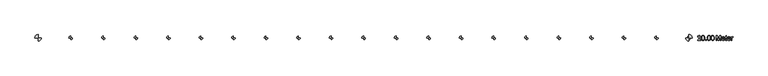
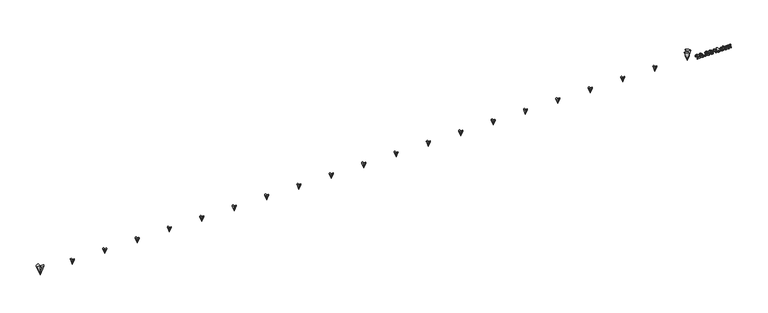
"""IFC4 building model written with IfcOpenShell, lengths in millimetres: proxy geometry."""

from ifc_helpers import new_model, si_unit, frame, origin, origin_with_axes, place, context, project, spatial, polyline, circle_curve, outline, extrude, source, transform, mapped, element, save
from ifc_brep_helpers import plane_surface, revolved_surface, advanced_brep


def generic_models_e5124689(model_context):
    return source(origin(), model_context, "Body", "SolidModel", [
        advanced_brep(
        [(19946.9713765, 0.0, 159.0858704), (20000.0, 53.0286235, 159.0858704), (20000.0, 0.0, 0.0), (20053.0286235, 0.0, 159.0858704), (20000.0, -53.0286235, 159.0858704), (20000.0, 0.0, 159.0858704)],
        [
            (0, 1, circle_curve(frame((20000.0, 0.0, 159.0858704), z_axis=(0.0, 0.0, -1.0), x_axis=(1.0, 0.0, 0.0)), 53.0286235)),
            (1, 2),
            (2, 0),
            (2, 3),
            (3, 4, circle_curve(frame((20000.0, 0.0, 159.0858704), z_axis=(0.0, 0.0, -1.0), x_axis=(1.0, 0.0, 0.0)), 53.0286235)),
            (4, 2),
            (0, 5),
            (5, 1),
            (3, 5),
            (5, 4),
            (5, 2),
            (5, 2),
        ],
        [
            revolved_surface(polyline([(20000.0, 0.0, 0.0), (20053.0286235, 0.0, 159.0858704)]), (20000.0, 0.0, 300.0), (0.0, 0.0, 1.0)),
            plane_surface(frame((20000.0, 0.0, 159.0858704), z_axis=(0.0, 0.0, 1.0), x_axis=(1.0, 0.0, 0.0))),
            plane_surface(frame((20000.0, 120.0, 345.9090809), z_axis=(1.0, 0.0, 0.0), x_axis=(0.0, 0.0, -1.0))),
            plane_surface(frame((20000.0, 0.0, 345.9090809), z_axis=(0.0, 1.0, 0.0), x_axis=(0.0, 0.0, -1.0))),
            plane_surface(frame((20000.0, -120.0, 345.9090809), z_axis=(-1.0, 0.0, 0.0), x_axis=(0.0, 0.0, -1.0))),
            plane_surface(frame((20000.0, 0.0, 345.9090809), z_axis=(0.0, -1.0, 0.0), x_axis=(0.0, 0.0, -1.0))),
        ],
        [
            (0, [[1, 2, 3]]),
            (0, [[4, 5, 6]]),
            (1, [[-1, 7, 8]]),
            (1, [[9, 10, -5]]),
            (2, [[11, -2, -8]]),
            (3, [[-11, -9, -4]]),
            (4, [[12, -6, -10]]),
            (5, [[-12, -7, -3]]),
        ],
    ),
        advanced_brep(
        [(18946.9713765, 0.0, 159.0858704), (19000.0, 53.0286235, 159.0858704), (19000.0, 0.0, 0.0), (19053.0286235, 0.0, 159.0858704), (19000.0, -53.0286235, 159.0858704), (19000.0, 0.0, 159.0858704)],
        [
            (0, 1, circle_curve(frame((19000.0, 0.0, 159.0858704), z_axis=(0.0, 0.0, -1.0), x_axis=(1.0, 0.0, 0.0)), 53.0286235)),
            (1, 2),
            (2, 0),
            (2, 3),
            (3, 4, circle_curve(frame((19000.0, 0.0, 159.0858704), z_axis=(0.0, 0.0, -1.0), x_axis=(1.0, 0.0, 0.0)), 53.0286235)),
            (4, 2),
            (0, 5),
            (5, 1),
            (3, 5),
            (5, 4),
            (5, 2),
            (5, 2),
        ],
        [
            revolved_surface(polyline([(19000.0, 0.0, 0.0), (19053.0286235, 0.0, 159.0858704)]), (19000.0, 0.0, 300.0), (0.0, 0.0, 1.0)),
            plane_surface(frame((19000.0, 0.0, 159.0858704), z_axis=(0.0, 0.0, 1.0), x_axis=(1.0, 0.0, 0.0))),
            plane_surface(frame((19000.0, 120.0, 345.9090809), z_axis=(1.0, 0.0, 0.0), x_axis=(0.0, 0.0, -1.0))),
            plane_surface(frame((19000.0, 0.0, 345.9090809), z_axis=(0.0, 1.0, 0.0), x_axis=(0.0, 0.0, -1.0))),
            plane_surface(frame((19000.0, -120.0, 345.9090809), z_axis=(-1.0, 0.0, 0.0), x_axis=(0.0, 0.0, -1.0))),
            plane_surface(frame((19000.0, 0.0, 345.9090809), z_axis=(0.0, -1.0, 0.0), x_axis=(0.0, 0.0, -1.0))),
        ],
        [
            (0, [[1, 2, 3]]),
            (0, [[4, 5, 6]]),
            (1, [[-1, 7, 8]]),
            (1, [[9, 10, -5]]),
            (2, [[11, -2, -8]]),
            (3, [[-11, -9, -4]]),
            (4, [[12, -6, -10]]),
            (5, [[-12, -7, -3]]),
        ],
    ),
        advanced_brep(
        [(17946.9713765, 0.0, 159.0858704), (18000.0, 53.0286235, 159.0858704), (18000.0, 0.0, 0.0), (18053.0286235, 0.0, 159.0858704), (18000.0, -53.0286235, 159.0858704), (18000.0, 0.0, 159.0858704)],
        [
            (0, 1, circle_curve(frame((18000.0, 0.0, 159.0858704), z_axis=(0.0, 0.0, -1.0), x_axis=(1.0, 0.0, 0.0)), 53.0286235)),
            (1, 2),
            (2, 0),
            (2, 3),
            (3, 4, circle_curve(frame((18000.0, 0.0, 159.0858704), z_axis=(0.0, 0.0, -1.0), x_axis=(1.0, 0.0, 0.0)), 53.0286235)),
            (4, 2),
            (0, 5),
            (5, 1),
            (3, 5),
            (5, 4),
            (5, 2),
            (5, 2),
        ],
        [
            revolved_surface(polyline([(18000.0, 0.0, 0.0), (18053.0286235, 0.0, 159.0858704)]), (18000.0, 0.0, 300.0), (0.0, 0.0, 1.0)),
            plane_surface(frame((18000.0, 0.0, 159.0858704), z_axis=(0.0, 0.0, 1.0), x_axis=(1.0, 0.0, 0.0))),
            plane_surface(frame((18000.0, 120.0, 345.9090809), z_axis=(1.0, 0.0, 0.0), x_axis=(0.0, 0.0, -1.0))),
            plane_surface(frame((18000.0, 0.0, 345.9090809), z_axis=(0.0, 1.0, 0.0), x_axis=(0.0, 0.0, -1.0))),
            plane_surface(frame((18000.0, -120.0, 345.9090809), z_axis=(-1.0, 0.0, 0.0), x_axis=(0.0, 0.0, -1.0))),
            plane_surface(frame((18000.0, 0.0, 345.9090809), z_axis=(0.0, -1.0, 0.0), x_axis=(0.0, 0.0, -1.0))),
        ],
        [
            (0, [[1, 2, 3]]),
            (0, [[4, 5, 6]]),
            (1, [[-1, 7, 8]]),
            (1, [[9, 10, -5]]),
            (2, [[11, -2, -8]]),
            (3, [[-11, -9, -4]]),
            (4, [[12, -6, -10]]),
            (5, [[-12, -7, -3]]),
        ],
    ),
        advanced_brep(
        [(16946.9713765, 0.0, 159.0858704), (17000.0, 53.0286235, 159.0858704), (17000.0, 0.0, 0.0), (17053.0286235, 0.0, 159.0858704), (17000.0, -53.0286235, 159.0858704), (17000.0, 0.0, 159.0858704)],
        [
            (0, 1, circle_curve(frame((17000.0, 0.0, 159.0858704), z_axis=(0.0, 0.0, -1.0), x_axis=(1.0, 0.0, 0.0)), 53.0286235)),
            (1, 2),
            (2, 0),
            (2, 3),
            (3, 4, circle_curve(frame((17000.0, 0.0, 159.0858704), z_axis=(0.0, 0.0, -1.0), x_axis=(1.0, 0.0, 0.0)), 53.0286235)),
            (4, 2),
            (0, 5),
            (5, 1),
            (3, 5),
            (5, 4),
            (5, 2),
            (5, 2),
        ],
        [
            revolved_surface(polyline([(17000.0, 0.0, 0.0), (17053.0286235, 0.0, 159.0858704)]), (17000.0, 0.0, 300.0), (0.0, 0.0, 1.0)),
            plane_surface(frame((17000.0, 0.0, 159.0858704), z_axis=(0.0, 0.0, 1.0), x_axis=(1.0, 0.0, 0.0))),
            plane_surface(frame((17000.0, 120.0, 345.9090809), z_axis=(1.0, 0.0, 0.0), x_axis=(0.0, 0.0, -1.0))),
            plane_surface(frame((17000.0, 0.0, 345.9090809), z_axis=(0.0, 1.0, 0.0), x_axis=(0.0, 0.0, -1.0))),
            plane_surface(frame((17000.0, -120.0, 345.9090809), z_axis=(-1.0, 0.0, 0.0), x_axis=(0.0, 0.0, -1.0))),
            plane_surface(frame((17000.0, 0.0, 345.9090809), z_axis=(0.0, -1.0, 0.0), x_axis=(0.0, 0.0, -1.0))),
        ],
        [
            (0, [[1, 2, 3]]),
            (0, [[4, 5, 6]]),
            (1, [[-1, 7, 8]]),
            (1, [[9, 10, -5]]),
            (2, [[11, -2, -8]]),
            (3, [[-11, -9, -4]]),
            (4, [[12, -6, -10]]),
            (5, [[-12, -7, -3]]),
        ],
    ),
        advanced_brep(
        [(15946.9713765, 0.0, 159.0858704), (16000.0, 53.0286235, 159.0858704), (16000.0, 0.0, 0.0), (16053.0286235, 0.0, 159.0858704), (16000.0, -53.0286235, 159.0858704), (16000.0, 0.0, 159.0858704)],
        [
            (0, 1, circle_curve(frame((16000.0, 0.0, 159.0858704), z_axis=(0.0, 0.0, -1.0), x_axis=(1.0, 0.0, 0.0)), 53.0286235)),
            (1, 2),
            (2, 0),
            (2, 3),
            (3, 4, circle_curve(frame((16000.0, 0.0, 159.0858704), z_axis=(0.0, 0.0, -1.0), x_axis=(1.0, 0.0, 0.0)), 53.0286235)),
            (4, 2),
            (0, 5),
            (5, 1),
            (3, 5),
            (5, 4),
            (5, 2),
            (5, 2),
        ],
        [
            revolved_surface(polyline([(16000.0, 0.0, 0.0), (16053.0286235, 0.0, 159.0858704)]), (16000.0, 0.0, 300.0), (0.0, 0.0, 1.0)),
            plane_surface(frame((16000.0, 0.0, 159.0858704), z_axis=(0.0, 0.0, 1.0), x_axis=(1.0, 0.0, 0.0))),
            plane_surface(frame((16000.0, 120.0, 345.9090809), z_axis=(1.0, 0.0, 0.0), x_axis=(0.0, 0.0, -1.0))),
            plane_surface(frame((16000.0, 0.0, 345.9090809), z_axis=(0.0, 1.0, 0.0), x_axis=(0.0, 0.0, -1.0))),
            plane_surface(frame((16000.0, -120.0, 345.9090809), z_axis=(-1.0, 0.0, 0.0), x_axis=(0.0, 0.0, -1.0))),
            plane_surface(frame((16000.0, 0.0, 345.9090809), z_axis=(0.0, -1.0, 0.0), x_axis=(0.0, 0.0, -1.0))),
        ],
        [
            (0, [[1, 2, 3]]),
            (0, [[4, 5, 6]]),
            (1, [[-1, 7, 8]]),
            (1, [[9, 10, -5]]),
            (2, [[11, -2, -8]]),
            (3, [[-11, -9, -4]]),
            (4, [[12, -6, -10]]),
            (5, [[-12, -7, -3]]),
        ],
    ),
        advanced_brep(
        [(14946.9713765, 0.0, 159.0858704), (15000.0, 53.0286235, 159.0858704), (15000.0, 0.0, 0.0), (15053.0286235, 0.0, 159.0858704), (15000.0, -53.0286235, 159.0858704), (15000.0, 0.0, 159.0858704)],
        [
            (0, 1, circle_curve(frame((15000.0, 0.0, 159.0858704), z_axis=(0.0, 0.0, -1.0), x_axis=(1.0, 0.0, 0.0)), 53.0286235)),
            (1, 2),
            (2, 0),
            (2, 3),
            (3, 4, circle_curve(frame((15000.0, 0.0, 159.0858704), z_axis=(0.0, 0.0, -1.0), x_axis=(1.0, 0.0, 0.0)), 53.0286235)),
            (4, 2),
            (0, 5),
            (5, 1),
            (3, 5),
            (5, 4),
            (5, 2),
            (5, 2),
        ],
        [
            revolved_surface(polyline([(15000.0, 0.0, 0.0), (15053.0286235, 0.0, 159.0858704)]), (15000.0, 0.0, 300.0), (0.0, 0.0, 1.0)),
            plane_surface(frame((15000.0, 0.0, 159.0858704), z_axis=(0.0, 0.0, 1.0), x_axis=(1.0, 0.0, 0.0))),
            plane_surface(frame((15000.0, 120.0, 345.9090809), z_axis=(1.0, 0.0, 0.0), x_axis=(0.0, 0.0, -1.0))),
            plane_surface(frame((15000.0, 0.0, 345.9090809), z_axis=(0.0, 1.0, 0.0), x_axis=(0.0, 0.0, -1.0))),
            plane_surface(frame((15000.0, -120.0, 345.9090809), z_axis=(-1.0, 0.0, 0.0), x_axis=(0.0, 0.0, -1.0))),
            plane_surface(frame((15000.0, 0.0, 345.9090809), z_axis=(0.0, -1.0, 0.0), x_axis=(0.0, 0.0, -1.0))),
        ],
        [
            (0, [[1, 2, 3]]),
            (0, [[4, 5, 6]]),
            (1, [[-1, 7, 8]]),
            (1, [[9, 10, -5]]),
            (2, [[11, -2, -8]]),
            (3, [[-11, -9, -4]]),
            (4, [[12, -6, -10]]),
            (5, [[-12, -7, -3]]),
        ],
    ),
        advanced_brep(
        [(13946.9713765, 0.0, 159.0858704), (14000.0, 53.0286235, 159.0858704), (14000.0, 0.0, 0.0), (14053.0286235, 0.0, 159.0858704), (14000.0, -53.0286235, 159.0858704), (14000.0, 0.0, 159.0858704)],
        [
            (0, 1, circle_curve(frame((14000.0, 0.0, 159.0858704), z_axis=(0.0, 0.0, -1.0), x_axis=(1.0, 0.0, 0.0)), 53.0286235)),
            (1, 2),
            (2, 0),
            (2, 3),
            (3, 4, circle_curve(frame((14000.0, 0.0, 159.0858704), z_axis=(0.0, 0.0, -1.0), x_axis=(1.0, 0.0, 0.0)), 53.0286235)),
            (4, 2),
            (0, 5),
            (5, 1),
            (3, 5),
            (5, 4),
            (5, 2),
            (5, 2),
        ],
        [
            revolved_surface(polyline([(14000.0, 0.0, 0.0), (14053.0286235, 0.0, 159.0858704)]), (14000.0, 0.0, 300.0), (0.0, 0.0, 1.0)),
            plane_surface(frame((14000.0, 0.0, 159.0858704), z_axis=(0.0, 0.0, 1.0), x_axis=(1.0, 0.0, 0.0))),
            plane_surface(frame((14000.0, 120.0, 345.9090809), z_axis=(1.0, 0.0, 0.0), x_axis=(0.0, 0.0, -1.0))),
            plane_surface(frame((14000.0, 0.0, 345.9090809), z_axis=(0.0, 1.0, 0.0), x_axis=(0.0, 0.0, -1.0))),
            plane_surface(frame((14000.0, -120.0, 345.9090809), z_axis=(-1.0, 0.0, 0.0), x_axis=(0.0, 0.0, -1.0))),
            plane_surface(frame((14000.0, 0.0, 345.9090809), z_axis=(0.0, -1.0, 0.0), x_axis=(0.0, 0.0, -1.0))),
        ],
        [
            (0, [[1, 2, 3]]),
            (0, [[4, 5, 6]]),
            (1, [[-1, 7, 8]]),
            (1, [[9, 10, -5]]),
            (2, [[11, -2, -8]]),
            (3, [[-11, -9, -4]]),
            (4, [[12, -6, -10]]),
            (5, [[-12, -7, -3]]),
        ],
    ),
        advanced_brep(
        [(12946.9713765, 0.0, 159.0858704), (13000.0, 53.0286235, 159.0858704), (13000.0, 0.0, 0.0), (13053.0286235, 0.0, 159.0858704), (13000.0, -53.0286235, 159.0858704), (13000.0, 0.0, 159.0858704)],
        [
            (0, 1, circle_curve(frame((13000.0, 0.0, 159.0858704), z_axis=(0.0, 0.0, -1.0), x_axis=(1.0, 0.0, 0.0)), 53.0286235)),
            (1, 2),
            (2, 0),
            (2, 3),
            (3, 4, circle_curve(frame((13000.0, 0.0, 159.0858704), z_axis=(0.0, 0.0, -1.0), x_axis=(1.0, 0.0, 0.0)), 53.0286235)),
            (4, 2),
            (0, 5),
            (5, 1),
            (3, 5),
            (5, 4),
            (5, 2),
            (5, 2),
        ],
        [
            revolved_surface(polyline([(13000.0, 0.0, 0.0), (13053.0286235, 0.0, 159.0858704)]), (13000.0, 0.0, 300.0), (0.0, 0.0, 1.0)),
            plane_surface(frame((13000.0, 0.0, 159.0858704), z_axis=(0.0, 0.0, 1.0), x_axis=(1.0, 0.0, 0.0))),
            plane_surface(frame((13000.0, 120.0, 345.9090809), z_axis=(1.0, 0.0, 0.0), x_axis=(0.0, 0.0, -1.0))),
            plane_surface(frame((13000.0, 0.0, 345.9090809), z_axis=(0.0, 1.0, 0.0), x_axis=(0.0, 0.0, -1.0))),
            plane_surface(frame((13000.0, -120.0, 345.9090809), z_axis=(-1.0, 0.0, 0.0), x_axis=(0.0, 0.0, -1.0))),
            plane_surface(frame((13000.0, 0.0, 345.9090809), z_axis=(0.0, -1.0, 0.0), x_axis=(0.0, 0.0, -1.0))),
        ],
        [
            (0, [[1, 2, 3]]),
            (0, [[4, 5, 6]]),
            (1, [[-1, 7, 8]]),
            (1, [[9, 10, -5]]),
            (2, [[11, -2, -8]]),
            (3, [[-11, -9, -4]]),
            (4, [[12, -6, -10]]),
            (5, [[-12, -7, -3]]),
        ],
    ),
        advanced_brep(
        [(11946.9713765, 0.0, 159.0858704), (12000.0, 53.0286235, 159.0858704), (12000.0, 0.0, 0.0), (12053.0286235, 0.0, 159.0858704), (12000.0, -53.0286235, 159.0858704), (12000.0, 0.0, 159.0858704)],
        [
            (0, 1, circle_curve(frame((12000.0, 0.0, 159.0858704), z_axis=(0.0, 0.0, -1.0), x_axis=(1.0, 0.0, 0.0)), 53.0286235)),
            (1, 2),
            (2, 0),
            (2, 3),
            (3, 4, circle_curve(frame((12000.0, 0.0, 159.0858704), z_axis=(0.0, 0.0, -1.0), x_axis=(1.0, 0.0, 0.0)), 53.0286235)),
            (4, 2),
            (0, 5),
            (5, 1),
            (3, 5),
            (5, 4),
            (5, 2),
            (5, 2),
        ],
        [
            revolved_surface(polyline([(12000.0, 0.0, 0.0), (12053.0286235, 0.0, 159.0858704)]), (12000.0, 0.0, 300.0), (0.0, 0.0, 1.0)),
            plane_surface(frame((12000.0, 0.0, 159.0858704), z_axis=(0.0, 0.0, 1.0), x_axis=(1.0, 0.0, 0.0))),
            plane_surface(frame((12000.0, 120.0, 345.9090809), z_axis=(1.0, 0.0, 0.0), x_axis=(0.0, 0.0, -1.0))),
            plane_surface(frame((12000.0, 0.0, 345.9090809), z_axis=(0.0, 1.0, 0.0), x_axis=(0.0, 0.0, -1.0))),
            plane_surface(frame((12000.0, -120.0, 345.9090809), z_axis=(-1.0, 0.0, 0.0), x_axis=(0.0, 0.0, -1.0))),
            plane_surface(frame((12000.0, 0.0, 345.9090809), z_axis=(0.0, -1.0, 0.0), x_axis=(0.0, 0.0, -1.0))),
        ],
        [
            (0, [[1, 2, 3]]),
            (0, [[4, 5, 6]]),
            (1, [[-1, 7, 8]]),
            (1, [[9, 10, -5]]),
            (2, [[11, -2, -8]]),
            (3, [[-11, -9, -4]]),
            (4, [[12, -6, -10]]),
            (5, [[-12, -7, -3]]),
        ],
    ),
        advanced_brep(
        [(10946.9713765, 0.0, 159.0858704), (11000.0, 53.0286235, 159.0858704), (11000.0, 0.0, 0.0), (11053.0286235, 0.0, 159.0858704), (11000.0, -53.0286235, 159.0858704), (11000.0, 0.0, 159.0858704)],
        [
            (0, 1, circle_curve(frame((11000.0, 0.0, 159.0858704), z_axis=(0.0, 0.0, -1.0), x_axis=(1.0, 0.0, 0.0)), 53.0286235)),
            (1, 2),
            (2, 0),
            (2, 3),
            (3, 4, circle_curve(frame((11000.0, 0.0, 159.0858704), z_axis=(0.0, 0.0, -1.0), x_axis=(1.0, 0.0, 0.0)), 53.0286235)),
            (4, 2),
            (0, 5),
            (5, 1),
            (3, 5),
            (5, 4),
            (5, 2),
            (5, 2),
        ],
        [
            revolved_surface(polyline([(11000.0, 0.0, 0.0), (11053.0286235, 0.0, 159.0858704)]), (11000.0, 0.0, 300.0), (0.0, 0.0, 1.0)),
            plane_surface(frame((11000.0, 0.0, 159.0858704), z_axis=(0.0, 0.0, 1.0), x_axis=(1.0, 0.0, 0.0))),
            plane_surface(frame((11000.0, 120.0, 345.9090809), z_axis=(1.0, 0.0, 0.0), x_axis=(0.0, 0.0, -1.0))),
            plane_surface(frame((11000.0, 0.0, 345.9090809), z_axis=(0.0, 1.0, 0.0), x_axis=(0.0, 0.0, -1.0))),
            plane_surface(frame((11000.0, -120.0, 345.9090809), z_axis=(-1.0, 0.0, 0.0), x_axis=(0.0, 0.0, -1.0))),
            plane_surface(frame((11000.0, 0.0, 345.9090809), z_axis=(0.0, -1.0, 0.0), x_axis=(0.0, 0.0, -1.0))),
        ],
        [
            (0, [[1, 2, 3]]),
            (0, [[4, 5, 6]]),
            (1, [[-1, 7, 8]]),
            (1, [[9, 10, -5]]),
            (2, [[11, -2, -8]]),
            (3, [[-11, -9, -4]]),
            (4, [[12, -6, -10]]),
            (5, [[-12, -7, -3]]),
        ],
    ),
        advanced_brep(
        [(9946.9713765, 0.0, 159.0858704), (10000.0, 53.0286235, 159.0858704), (10000.0, 0.0, 0.0), (10053.0286235, 0.0, 159.0858704), (10000.0, -53.0286235, 159.0858704), (10000.0, 0.0, 159.0858704)],
        [
            (0, 1, circle_curve(frame((10000.0, 0.0, 159.0858704), z_axis=(0.0, 0.0, -1.0), x_axis=(1.0, 0.0, 0.0)), 53.0286235)),
            (1, 2),
            (2, 0),
            (2, 3),
            (3, 4, circle_curve(frame((10000.0, 0.0, 159.0858704), z_axis=(0.0, 0.0, -1.0), x_axis=(1.0, 0.0, 0.0)), 53.0286235)),
            (4, 2),
            (0, 5),
            (5, 1),
            (3, 5),
            (5, 4),
            (5, 2),
            (5, 2),
        ],
        [
            revolved_surface(polyline([(10000.0, 0.0, 0.0), (10053.0286235, 0.0, 159.0858704)]), (10000.0, 0.0, 300.0), (0.0, 0.0, 1.0)),
            plane_surface(frame((10000.0, 0.0, 159.0858704), z_axis=(0.0, 0.0, 1.0), x_axis=(1.0, 0.0, 0.0))),
            plane_surface(frame((10000.0, 120.0, 345.9090809), z_axis=(1.0, 0.0, 0.0), x_axis=(0.0, 0.0, -1.0))),
            plane_surface(frame((10000.0, 0.0, 345.9090809), z_axis=(0.0, 1.0, 0.0), x_axis=(0.0, 0.0, -1.0))),
            plane_surface(frame((10000.0, -120.0, 345.9090809), z_axis=(-1.0, 0.0, 0.0), x_axis=(0.0, 0.0, -1.0))),
            plane_surface(frame((10000.0, 0.0, 345.9090809), z_axis=(0.0, -1.0, 0.0), x_axis=(0.0, 0.0, -1.0))),
        ],
        [
            (0, [[1, 2, 3]]),
            (0, [[4, 5, 6]]),
            (1, [[-1, 7, 8]]),
            (1, [[9, 10, -5]]),
            (2, [[11, -2, -8]]),
            (3, [[-11, -9, -4]]),
            (4, [[12, -6, -10]]),
            (5, [[-12, -7, -3]]),
        ],
    ),
        advanced_brep(
        [(8946.9713765, 0.0, 159.0858704), (9000.0, 53.0286235, 159.0858704), (9000.0, 0.0, 0.0), (9053.0286235, 0.0, 159.0858704), (9000.0, -53.0286235, 159.0858704), (9000.0, 0.0, 159.0858704)],
        [
            (0, 1, circle_curve(frame((9000.0, 0.0, 159.0858704), z_axis=(0.0, 0.0, -1.0), x_axis=(1.0, 0.0, 0.0)), 53.0286235)),
            (1, 2),
            (2, 0),
            (2, 3),
            (3, 4, circle_curve(frame((9000.0, 0.0, 159.0858704), z_axis=(0.0, 0.0, -1.0), x_axis=(1.0, 0.0, 0.0)), 53.0286235)),
            (4, 2),
            (0, 5),
            (5, 1),
            (3, 5),
            (5, 4),
            (5, 2),
            (5, 2),
        ],
        [
            revolved_surface(polyline([(9000.0, 0.0, 0.0), (9053.0286235, 0.0, 159.0858704)]), (9000.0, 0.0, 300.0), (0.0, 0.0, 1.0)),
            plane_surface(frame((9000.0, 0.0, 159.0858704), z_axis=(0.0, 0.0, 1.0), x_axis=(1.0, 0.0, 0.0))),
            plane_surface(frame((9000.0, 120.0, 345.9090809), z_axis=(1.0, 0.0, 0.0), x_axis=(0.0, 0.0, -1.0))),
            plane_surface(frame((9000.0, 0.0, 345.9090809), z_axis=(0.0, 1.0, 0.0), x_axis=(0.0, 0.0, -1.0))),
            plane_surface(frame((9000.0, -120.0, 345.9090809), z_axis=(-1.0, 0.0, 0.0), x_axis=(0.0, 0.0, -1.0))),
            plane_surface(frame((9000.0, 0.0, 345.9090809), z_axis=(0.0, -1.0, 0.0), x_axis=(0.0, 0.0, -1.0))),
        ],
        [
            (0, [[1, 2, 3]]),
            (0, [[4, 5, 6]]),
            (1, [[-1, 7, 8]]),
            (1, [[9, 10, -5]]),
            (2, [[11, -2, -8]]),
            (3, [[-11, -9, -4]]),
            (4, [[12, -6, -10]]),
            (5, [[-12, -7, -3]]),
        ],
    ),
        advanced_brep(
        [(7946.9713765, 0.0, 159.0858704), (8000.0, 53.0286235, 159.0858704), (8000.0, 0.0, 0.0), (8053.0286235, 0.0, 159.0858704), (8000.0, -53.0286235, 159.0858704), (8000.0, 0.0, 159.0858704)],
        [
            (0, 1, circle_curve(frame((8000.0, 0.0, 159.0858704), z_axis=(0.0, 0.0, -1.0), x_axis=(1.0, 0.0, 0.0)), 53.0286235)),
            (1, 2),
            (2, 0),
            (2, 3),
            (3, 4, circle_curve(frame((8000.0, 0.0, 159.0858704), z_axis=(0.0, 0.0, -1.0), x_axis=(1.0, 0.0, 0.0)), 53.0286235)),
            (4, 2),
            (0, 5),
            (5, 1),
            (3, 5),
            (5, 4),
            (5, 2),
            (5, 2),
        ],
        [
            revolved_surface(polyline([(8000.0, 0.0, 0.0), (8053.0286235, 0.0, 159.0858704)]), (8000.0, 0.0, 300.0), (0.0, 0.0, 1.0)),
            plane_surface(frame((8000.0, 0.0, 159.0858704), z_axis=(0.0, 0.0, 1.0), x_axis=(1.0, 0.0, 0.0))),
            plane_surface(frame((8000.0, 120.0, 345.9090809), z_axis=(1.0, 0.0, 0.0), x_axis=(0.0, 0.0, -1.0))),
            plane_surface(frame((8000.0, 0.0, 345.9090809), z_axis=(0.0, 1.0, 0.0), x_axis=(0.0, 0.0, -1.0))),
            plane_surface(frame((8000.0, -120.0, 345.9090809), z_axis=(-1.0, 0.0, 0.0), x_axis=(0.0, 0.0, -1.0))),
            plane_surface(frame((8000.0, 0.0, 345.9090809), z_axis=(0.0, -1.0, 0.0), x_axis=(0.0, 0.0, -1.0))),
        ],
        [
            (0, [[1, 2, 3]]),
            (0, [[4, 5, 6]]),
            (1, [[-1, 7, 8]]),
            (1, [[9, 10, -5]]),
            (2, [[11, -2, -8]]),
            (3, [[-11, -9, -4]]),
            (4, [[12, -6, -10]]),
            (5, [[-12, -7, -3]]),
        ],
    ),
        advanced_brep(
        [(6946.9713765, 0.0, 159.0858704), (7000.0, 53.0286235, 159.0858704), (7000.0, 0.0, 0.0), (7053.0286235, 0.0, 159.0858704), (7000.0, -53.0286235, 159.0858704), (7000.0, 0.0, 159.0858704)],
        [
            (0, 1, circle_curve(frame((7000.0, 0.0, 159.0858704), z_axis=(0.0, 0.0, -1.0), x_axis=(1.0, 0.0, 0.0)), 53.0286235)),
            (1, 2),
            (2, 0),
            (2, 3),
            (3, 4, circle_curve(frame((7000.0, 0.0, 159.0858704), z_axis=(0.0, 0.0, -1.0), x_axis=(1.0, 0.0, 0.0)), 53.0286235)),
            (4, 2),
            (0, 5),
            (5, 1),
            (3, 5),
            (5, 4),
            (5, 2),
            (5, 2),
        ],
        [
            revolved_surface(polyline([(7000.0, 0.0, 0.0), (7053.0286235, 0.0, 159.0858704)]), (7000.0, 0.0, 300.0), (0.0, 0.0, 1.0)),
            plane_surface(frame((7000.0, 0.0, 159.0858704), z_axis=(0.0, 0.0, 1.0), x_axis=(1.0, 0.0, 0.0))),
            plane_surface(frame((7000.0, 120.0, 345.9090809), z_axis=(1.0, 0.0, 0.0), x_axis=(0.0, 0.0, -1.0))),
            plane_surface(frame((7000.0, 0.0, 345.9090809), z_axis=(0.0, 1.0, 0.0), x_axis=(0.0, 0.0, -1.0))),
            plane_surface(frame((7000.0, -120.0, 345.9090809), z_axis=(-1.0, 0.0, 0.0), x_axis=(0.0, 0.0, -1.0))),
            plane_surface(frame((7000.0, 0.0, 345.9090809), z_axis=(0.0, -1.0, 0.0), x_axis=(0.0, 0.0, -1.0))),
        ],
        [
            (0, [[1, 2, 3]]),
            (0, [[4, 5, 6]]),
            (1, [[-1, 7, 8]]),
            (1, [[9, 10, -5]]),
            (2, [[11, -2, -8]]),
            (3, [[-11, -9, -4]]),
            (4, [[12, -6, -10]]),
            (5, [[-12, -7, -3]]),
        ],
    ),
        advanced_brep(
        [(5946.9713765, 0.0, 159.0858704), (6000.0, 53.0286235, 159.0858704), (6000.0, 0.0, 0.0), (6053.0286235, 0.0, 159.0858704), (6000.0, -53.0286235, 159.0858704), (6000.0, 0.0, 159.0858704)],
        [
            (0, 1, circle_curve(frame((6000.0, 0.0, 159.0858704), z_axis=(0.0, 0.0, -1.0), x_axis=(1.0, 0.0, 0.0)), 53.0286235)),
            (1, 2),
            (2, 0),
            (2, 3),
            (3, 4, circle_curve(frame((6000.0, 0.0, 159.0858704), z_axis=(0.0, 0.0, -1.0), x_axis=(1.0, 0.0, 0.0)), 53.0286235)),
            (4, 2),
            (0, 5),
            (5, 1),
            (3, 5),
            (5, 4),
            (5, 2),
            (5, 2),
        ],
        [
            revolved_surface(polyline([(6000.0, 0.0, 0.0), (6053.0286235, 0.0, 159.0858704)]), (6000.0, 0.0, 300.0), (0.0, 0.0, 1.0)),
            plane_surface(frame((6000.0, 0.0, 159.0858704), z_axis=(0.0, 0.0, 1.0), x_axis=(1.0, 0.0, 0.0))),
            plane_surface(frame((6000.0, 120.0, 345.9090809), z_axis=(1.0, 0.0, 0.0), x_axis=(0.0, 0.0, -1.0))),
            plane_surface(frame((6000.0, 0.0, 345.9090809), z_axis=(0.0, 1.0, 0.0), x_axis=(0.0, 0.0, -1.0))),
            plane_surface(frame((6000.0, -120.0, 345.9090809), z_axis=(-1.0, 0.0, 0.0), x_axis=(0.0, 0.0, -1.0))),
            plane_surface(frame((6000.0, 0.0, 345.9090809), z_axis=(0.0, -1.0, 0.0), x_axis=(0.0, 0.0, -1.0))),
        ],
        [
            (0, [[1, 2, 3]]),
            (0, [[4, 5, 6]]),
            (1, [[-1, 7, 8]]),
            (1, [[9, 10, -5]]),
            (2, [[11, -2, -8]]),
            (3, [[-11, -9, -4]]),
            (4, [[12, -6, -10]]),
            (5, [[-12, -7, -3]]),
        ],
    ),
        advanced_brep(
        [(4946.9713765, 0.0, 159.0858704), (5000.0, 53.0286235, 159.0858704), (5000.0, 0.0, 0.0), (5053.0286235, 0.0, 159.0858704), (5000.0, -53.0286235, 159.0858704), (5000.0, 0.0, 159.0858704)],
        [
            (0, 1, circle_curve(frame((5000.0, 0.0, 159.0858704), z_axis=(0.0, 0.0, -1.0), x_axis=(1.0, 0.0, 0.0)), 53.0286235)),
            (1, 2),
            (2, 0),
            (2, 3),
            (3, 4, circle_curve(frame((5000.0, 0.0, 159.0858704), z_axis=(0.0, 0.0, -1.0), x_axis=(1.0, 0.0, 0.0)), 53.0286235)),
            (4, 2),
            (0, 5),
            (5, 1),
            (3, 5),
            (5, 4),
            (5, 2),
            (5, 2),
        ],
        [
            revolved_surface(polyline([(5000.0, 0.0, 0.0), (5053.0286235, 0.0, 159.0858704)]), (5000.0, 0.0, 300.0), (0.0, 0.0, 1.0)),
            plane_surface(frame((5000.0, 0.0, 159.0858704), z_axis=(0.0, 0.0, 1.0), x_axis=(1.0, 0.0, 0.0))),
            plane_surface(frame((5000.0, 120.0, 345.9090809), z_axis=(1.0, 0.0, 0.0), x_axis=(0.0, 0.0, -1.0))),
            plane_surface(frame((5000.0, 0.0, 345.9090809), z_axis=(0.0, 1.0, 0.0), x_axis=(0.0, 0.0, -1.0))),
            plane_surface(frame((5000.0, -120.0, 345.9090809), z_axis=(-1.0, 0.0, 0.0), x_axis=(0.0, 0.0, -1.0))),
            plane_surface(frame((5000.0, 0.0, 345.9090809), z_axis=(0.0, -1.0, 0.0), x_axis=(0.0, 0.0, -1.0))),
        ],
        [
            (0, [[1, 2, 3]]),
            (0, [[4, 5, 6]]),
            (1, [[-1, 7, 8]]),
            (1, [[9, 10, -5]]),
            (2, [[11, -2, -8]]),
            (3, [[-11, -9, -4]]),
            (4, [[12, -6, -10]]),
            (5, [[-12, -7, -3]]),
        ],
    ),
        advanced_brep(
        [(3946.9713765, 0.0, 159.0858704), (4000.0, 53.0286235, 159.0858704), (4000.0, 0.0, 0.0), (4053.0286235, 0.0, 159.0858704), (4000.0, -53.0286235, 159.0858704), (4000.0, 0.0, 159.0858704)],
        [
            (0, 1, circle_curve(frame((4000.0, 0.0, 159.0858704), z_axis=(0.0, 0.0, -1.0), x_axis=(1.0, 0.0, 0.0)), 53.0286235)),
            (1, 2),
            (2, 0),
            (2, 3),
            (3, 4, circle_curve(frame((4000.0, 0.0, 159.0858704), z_axis=(0.0, 0.0, -1.0), x_axis=(1.0, 0.0, 0.0)), 53.0286235)),
            (4, 2),
            (0, 5),
            (5, 1),
            (3, 5),
            (5, 4),
            (5, 2),
            (5, 2),
        ],
        [
            revolved_surface(polyline([(4000.0, 0.0, 0.0), (4053.0286235, 0.0, 159.0858704)]), (4000.0, 0.0, 300.0), (0.0, 0.0, 1.0)),
            plane_surface(frame((4000.0, 0.0, 159.0858704), z_axis=(0.0, 0.0, 1.0), x_axis=(1.0, 0.0, 0.0))),
            plane_surface(frame((4000.0, 120.0, 345.9090809), z_axis=(1.0, 0.0, 0.0), x_axis=(0.0, 0.0, -1.0))),
            plane_surface(frame((4000.0, 0.0, 345.9090809), z_axis=(0.0, 1.0, 0.0), x_axis=(0.0, 0.0, -1.0))),
            plane_surface(frame((4000.0, -120.0, 345.9090809), z_axis=(-1.0, 0.0, 0.0), x_axis=(0.0, 0.0, -1.0))),
            plane_surface(frame((4000.0, 0.0, 345.9090809), z_axis=(0.0, -1.0, 0.0), x_axis=(0.0, 0.0, -1.0))),
        ],
        [
            (0, [[1, 2, 3]]),
            (0, [[4, 5, 6]]),
            (1, [[-1, 7, 8]]),
            (1, [[9, 10, -5]]),
            (2, [[11, -2, -8]]),
            (3, [[-11, -9, -4]]),
            (4, [[12, -6, -10]]),
            (5, [[-12, -7, -3]]),
        ],
    ),
        advanced_brep(
        [(2946.9713765, 0.0, 159.0858704), (3000.0, 53.0286235, 159.0858704), (3000.0, 0.0, 0.0), (3053.0286235, 0.0, 159.0858704), (3000.0, -53.0286235, 159.0858704), (3000.0, 0.0, 159.0858704)],
        [
            (0, 1, circle_curve(frame((3000.0, 0.0, 159.0858704), z_axis=(0.0, 0.0, -1.0), x_axis=(1.0, 0.0, 0.0)), 53.0286235)),
            (1, 2),
            (2, 0),
            (2, 3),
            (3, 4, circle_curve(frame((3000.0, 0.0, 159.0858704), z_axis=(0.0, 0.0, -1.0), x_axis=(1.0, 0.0, 0.0)), 53.0286235)),
            (4, 2),
            (0, 5),
            (5, 1),
            (3, 5),
            (5, 4),
            (5, 2),
            (5, 2),
        ],
        [
            revolved_surface(polyline([(3000.0, 0.0, 0.0), (3053.0286235, 0.0, 159.0858704)]), (3000.0, 0.0, 300.0), (0.0, 0.0, 1.0)),
            plane_surface(frame((3000.0, 0.0, 159.0858704), z_axis=(0.0, 0.0, 1.0), x_axis=(1.0, 0.0, 0.0))),
            plane_surface(frame((3000.0, 120.0, 345.9090809), z_axis=(1.0, 0.0, 0.0), x_axis=(0.0, 0.0, -1.0))),
            plane_surface(frame((3000.0, 0.0, 345.9090809), z_axis=(0.0, 1.0, 0.0), x_axis=(0.0, 0.0, -1.0))),
            plane_surface(frame((3000.0, -120.0, 345.9090809), z_axis=(-1.0, 0.0, 0.0), x_axis=(0.0, 0.0, -1.0))),
            plane_surface(frame((3000.0, 0.0, 345.9090809), z_axis=(0.0, -1.0, 0.0), x_axis=(0.0, 0.0, -1.0))),
        ],
        [
            (0, [[1, 2, 3]]),
            (0, [[4, 5, 6]]),
            (1, [[-1, 7, 8]]),
            (1, [[9, 10, -5]]),
            (2, [[11, -2, -8]]),
            (3, [[-11, -9, -4]]),
            (4, [[12, -6, -10]]),
            (5, [[-12, -7, -3]]),
        ],
    ),
        advanced_brep(
        [(1946.9713765, 0.0, 159.0858704), (2000.0, 53.0286235, 159.0858704), (2000.0, 0.0, 0.0), (2053.0286235, 0.0, 159.0858704), (2000.0, -53.0286235, 159.0858704), (2000.0, 0.0, 159.0858704)],
        [
            (0, 1, circle_curve(frame((2000.0, 0.0, 159.0858704), z_axis=(0.0, 0.0, -1.0), x_axis=(1.0, 0.0, 0.0)), 53.0286235)),
            (1, 2),
            (2, 0),
            (2, 3),
            (3, 4, circle_curve(frame((2000.0, 0.0, 159.0858704), z_axis=(0.0, 0.0, -1.0), x_axis=(1.0, 0.0, 0.0)), 53.0286235)),
            (4, 2),
            (0, 5),
            (5, 1),
            (3, 5),
            (5, 4),
            (5, 2),
            (5, 2),
        ],
        [
            revolved_surface(polyline([(2000.0, 0.0, 0.0), (2053.0286235, 0.0, 159.0858704)]), (2000.0, 0.0, 300.0), (0.0, 0.0, 1.0)),
            plane_surface(frame((2000.0, 0.0, 159.0858704), z_axis=(0.0, 0.0, 1.0), x_axis=(1.0, 0.0, 0.0))),
            plane_surface(frame((2000.0, 120.0, 345.9090809), z_axis=(1.0, 0.0, 0.0), x_axis=(0.0, 0.0, -1.0))),
            plane_surface(frame((2000.0, 0.0, 345.9090809), z_axis=(0.0, 1.0, 0.0), x_axis=(0.0, 0.0, -1.0))),
            plane_surface(frame((2000.0, -120.0, 345.9090809), z_axis=(-1.0, 0.0, 0.0), x_axis=(0.0, 0.0, -1.0))),
            plane_surface(frame((2000.0, 0.0, 345.9090809), z_axis=(0.0, -1.0, 0.0), x_axis=(0.0, 0.0, -1.0))),
        ],
        [
            (0, [[1, 2, 3]]),
            (0, [[4, 5, 6]]),
            (1, [[-1, 7, 8]]),
            (1, [[9, 10, -5]]),
            (2, [[11, -2, -8]]),
            (3, [[-11, -9, -4]]),
            (4, [[12, -6, -10]]),
            (5, [[-12, -7, -3]]),
        ],
    ),
        advanced_brep(
        [(946.9713765, 0.0, 159.0858704), (1000.0, 53.0286235, 159.0858704), (1000.0, 0.0, 0.0), (1053.0286235, 0.0, 159.0858704), (1000.0, -53.0286235, 159.0858704), (1000.0, 0.0, 159.0858704)],
        [
            (0, 1, circle_curve(frame((1000.0, 0.0, 159.0858704), z_axis=(0.0, 0.0, -1.0), x_axis=(1.0, 0.0, 0.0)), 53.0286235)),
            (1, 2),
            (2, 0),
            (2, 3),
            (3, 4, circle_curve(frame((1000.0, 0.0, 159.0858704), z_axis=(0.0, 0.0, -1.0), x_axis=(1.0, 0.0, 0.0)), 53.0286235)),
            (4, 2),
            (0, 5),
            (5, 1),
            (3, 5),
            (5, 4),
            (5, 2),
            (5, 2),
        ],
        [
            revolved_surface(polyline([(1000.0, 0.0, 0.0), (1053.0286235, 0.0, 159.0858704)]), (1000.0, 0.0, 300.0), (0.0, 0.0, 1.0)),
            plane_surface(frame((1000.0, 0.0, 159.0858704), z_axis=(0.0, 0.0, 1.0), x_axis=(1.0, 0.0, 0.0))),
            plane_surface(frame((1000.0, 120.0, 345.9090809), z_axis=(1.0, 0.0, 0.0), x_axis=(0.0, 0.0, -1.0))),
            plane_surface(frame((1000.0, 0.0, 345.9090809), z_axis=(0.0, 1.0, 0.0), x_axis=(0.0, 0.0, -1.0))),
            plane_surface(frame((1000.0, -120.0, 345.9090809), z_axis=(-1.0, 0.0, 0.0), x_axis=(0.0, 0.0, -1.0))),
            plane_surface(frame((1000.0, 0.0, 345.9090809), z_axis=(0.0, -1.0, 0.0), x_axis=(0.0, 0.0, -1.0))),
        ],
        [
            (0, [[1, 2, 3]]),
            (0, [[4, 5, 6]]),
            (1, [[-1, 7, 8]]),
            (1, [[9, 10, -5]]),
            (2, [[11, -2, -8]]),
            (3, [[-11, -9, -4]]),
            (4, [[12, -6, -10]]),
            (5, [[-12, -7, -3]]),
        ],
    ),
        advanced_brep(
        [(20000.0, -100.0, 300.0), (19900.0, 0.0, 300.0), (20000.0, 0.0, 0.0), (20000.0, 100.0, 300.0), (20100.0, 0.0, 300.0), (20000.0, 0.0, 300.0)],
        [
            (0, 1, circle_curve(frame((20000.0, 0.0, 300.0), z_axis=(0.0, 0.0, -1.0), x_axis=(0.0, 1.0, 0.0)), 100.0)),
            (1, 2),
            (2, 0),
            (2, 3),
            (3, 4, circle_curve(frame((20000.0, 0.0, 300.0), z_axis=(0.0, 0.0, -1.0), x_axis=(0.0, 1.0, 0.0)), 100.0)),
            (4, 2),
            (0, 5),
            (5, 1),
            (3, 5),
            (5, 4),
            (5, 2),
            (5, 2),
        ],
        [
            revolved_surface(polyline([(20000.0, 0.0, 0.0), (20000.0, 100.0, 300.0)]), (20000.0, 0.0, 300.0), (0.0, 0.0, 1.0)),
            plane_surface(frame((20000.0, 0.0, 300.0), z_axis=(0.0, 0.0, 1.0), x_axis=(0.0, 1.0, 0.0))),
            plane_surface(frame((19880.0, 0.0, 345.9090809), z_axis=(0.0, 1.0, 0.0), x_axis=(0.0, 0.0, -1.0))),
            plane_surface(frame((20000.0, 0.0, 345.9090809), z_axis=(-1.0, 0.0, 0.0), x_axis=(0.0, 0.0, -1.0))),
            plane_surface(frame((20120.0, 0.0, 345.9090809), z_axis=(0.0, -1.0, 0.0), x_axis=(0.0, 0.0, -1.0))),
            plane_surface(frame((20000.0, 0.0, 345.9090809), z_axis=(1.0, 0.0, 0.0), x_axis=(0.0, 0.0, -1.0))),
        ],
        [
            (0, [[1, 2, 3]]),
            (0, [[4, 5, 6]]),
            (1, [[-1, 7, 8]]),
            (1, [[9, 10, -5]]),
            (2, [[11, -2, -8]]),
            (3, [[-11, -9, -4]]),
            (4, [[12, -6, -10]]),
            (5, [[-12, -7, -3]]),
        ],
    ),
        advanced_brep(
        [(-100.0, 0.0, 300.0), (0.0, 100.0, 300.0), (0.0, 0.0, 0.0), (100.0, 0.0, 300.0), (0.0, -100.0, 300.0), (0.0, 0.0, 300.0)],
        [
            (0, 1, circle_curve(frame((0.0, 0.0, 300.0), z_axis=(0.0, 0.0, -1.0), x_axis=(1.0, 0.0, 0.0)), 100.0)),
            (1, 2),
            (2, 0),
            (2, 3),
            (3, 4, circle_curve(frame((0.0, 0.0, 300.0), z_axis=(0.0, 0.0, -1.0), x_axis=(1.0, 0.0, 0.0)), 100.0)),
            (4, 2),
            (0, 5),
            (5, 1),
            (3, 5),
            (5, 4),
            (5, 2),
            (5, 2),
        ],
        [
            revolved_surface(polyline([(0.0, 0.0, 0.0), (100.0, 0.0, 300.0)]), (0.0, 0.0, 300.0), (0.0, 0.0, 1.0)),
            plane_surface(frame((0.0, 0.0, 300.0), z_axis=(0.0, 0.0, 1.0), x_axis=(1.0, 0.0, 0.0))),
            plane_surface(frame((0.0, 120.0, 345.9090809), z_axis=(1.0, 0.0, 0.0), x_axis=(0.0, 0.0, -1.0))),
            plane_surface(frame((0.0, 0.0, 345.9090809), z_axis=(0.0, 1.0, 0.0), x_axis=(0.0, 0.0, -1.0))),
            plane_surface(frame((0.0, -120.0, 345.9090809), z_axis=(-1.0, 0.0, 0.0), x_axis=(0.0, 0.0, -1.0))),
            plane_surface(frame((0.0, 0.0, 345.9090809), z_axis=(0.0, -1.0, 0.0), x_axis=(0.0, 0.0, -1.0))),
        ],
        [
            (0, [[1, 2, 3]]),
            (0, [[4, 5, 6]]),
            (1, [[-1, 7, 8]]),
            (1, [[9, 10, -5]]),
            (2, [[11, -2, -8]]),
            (3, [[-11, -9, -4]]),
            (4, [[12, -6, -10]]),
            (5, [[-12, -7, -3]]),
        ],
    ),
        extrude(outline(polyline([(20510.9927293, -75.0), (20510.9927293, -56.1644418), (20529.8282875, -56.1644418), (20529.8282875, -75.0), (20510.9927293, -75.0)])), origin_with_axes(), (0.0, 0.0, 1.0), 35.0),
        extrude(outline(polyline([(20566.5749502, -0.871778), (20567.9591062, 23.2474853), (20572.1115743, 42.4831152), (20578.9909676, 57.1294171), (20588.5558995, 67.4806967), (20600.8753478, 73.6335231), (20616.0182904, 75.6844652), (20638.0176337, 70.8284229), (20653.2111601, 56.830513), (20662.040328, 34.5368641), (20665.4616305, -0.871778), (20664.0912701, -24.8530855), (20659.9801888, -44.0427301), (20653.1421822, -58.7028276), (20643.5910459, -69.095494), (20631.2440065, -75.2897071), (20616.0182904, -77.3544448), (20596.4469682, -73.7675953), (20581.5845356, -63.007047), (20570.3273466, -37.5220217), (20566.5749502, -0.871778)]), holes=[polyline([(20585.4105084, -0.8349898), (20587.6178004, -30.463286), (20594.2396763, -47.6111855), (20604.0989137, -55.7919613), (20616.0182904, -58.5188866), (20627.937667, -55.7827643), (20637.7969045, -47.5743973), (20644.4187804, -30.4173007), (20646.6260724, -0.8349898), (20644.4923568, 28.1265203), (20638.0912101, 45.407777), (20628.2503667, 53.9886246), (20615.7975612, 56.8489071), (20604.0069432, 54.3289154), (20594.5339819, 46.7689404), (20587.6913768, 28.4116288), (20585.4105084, -0.8349898)])]), origin_with_axes(), (0.0, 0.0, 1.0), 35.0),
        extrude(outline(polyline([(20681.9427439, -0.871778), (20683.3268999, 23.2474853), (20687.479368, 42.4831152), (20694.3587613, 57.1294171), (20703.9236931, 67.4806967), (20716.2431415, 73.6335231), (20731.3860841, 75.6844652), (20753.3854274, 70.8284229), (20768.5789538, 56.830513), (20777.4081217, 34.5368641), (20780.8294242, -0.871778), (20779.4590638, -24.8530855), (20775.3479825, -44.0427301), (20768.5099759, -58.7028276), (20758.9588396, -69.095494), (20746.6118002, -75.2897071), (20731.3860841, -77.3544448), (20711.8147619, -73.7675953), (20696.9523293, -63.007047), (20685.6951403, -37.5220217), (20681.9427439, -0.871778)]), holes=[polyline([(20700.7783021, -0.8349898), (20702.985594, -30.463286), (20709.60747, -47.6111855), (20719.4667074, -55.7919613), (20731.3860841, -58.5188866), (20743.3054607, -55.7827643), (20753.1646982, -47.5743973), (20759.7865741, -30.4173007), (20761.9938661, -0.8349898), (20759.8601505, 28.1265203), (20753.4590038, 45.407777), (20743.6181604, 53.9886246), (20731.1653549, 56.8489071), (20719.3747369, 54.3289154), (20709.9017756, 46.7689404), (20703.0591704, 28.4116288), (20700.7783021, -0.8349898)])]), origin_with_axes(), (0.0, 0.0, 1.0), 35.0),
        extrude(outline(polyline([(20838.6382845, -75.0), (20838.6382845, 75.6844652), (20870.9383237, 75.6844652), (20901.8404113, -30.5230668), (20908.0944052, -52.7063511), (20914.8266457, -28.6836568), (20945.1401221, 75.6844652), (20977.5505259, 75.6844652), (20977.5505259, -75.0), (20958.7149678, -75.0), (20958.7149678, 56.8489071), (20920.8599105, -75.0), (20895.3656882, -75.0), (20857.4738427, 56.8489071), (20857.4738427, -75.0), (20838.6382845, -75.0)])), origin_with_axes(), (0.0, 0.0, 1.0), 35.0),
        extrude(outline(polyline([(21085.6342561, -42.0377732), (21104.1019323, -44.392218), (21097.4478667, -58.3073545), (21086.8298726, -68.7092179), (21072.4870733, -75.193138), (21054.6585921, -77.3544448), (21032.5580813, -73.625041), (21015.552736, -62.4368299), (21004.7094142, -44.5163782), (21001.0949736, -20.5902529), (21004.7462024, 4.1406142), (21015.6998888, 22.6358815), (21032.4753078, 34.1689821), (21053.5917343, 38.0133489), (21074.0505718, 34.1781791), (21090.3983279, 22.6726697), (21101.1174896, 4.2141906), (21104.6905435, -20.4798883), (21104.5801789, -25.5566598), (21019.9305318, -25.5566598), (21023.190886, -39.6557373), (21030.7646565, -50.0208125), (21041.6953503, -56.3943681), (21055.0264741, -58.5188866), (21073.4941503, -54.5825493), (21085.6342561, -42.0377732)]), holes=[polyline([(21019.9305318, -6.7211017), (21085.8549853, -6.7211017), (21083.3074025, 3.2301063), (21078.3134044, 10.3486229), (21067.3321268, 16.9704988), (21053.5181579, 19.1777908), (21040.8216306, 17.4165557), (21030.3231981, 12.1328506), (21023.0253391, 3.8968924), (21019.9305318, -6.7211017)])]), origin_with_axes(), (0.0, 0.0, 1.0), 35.0),
        extrude(outline(polyline([(21163.5516627, -59.2914388), (21165.9061075, -75.551823), (21151.816227, -77.3544448), (21136.0340894, -74.2274478), (21128.1614147, -66.0236793), (21125.8805464, -44.6497354), (21125.8805464, 16.823346), (21111.7538778, 16.823346), (21111.7538778, 35.6589041), (21125.8805464, 35.6589041), (21125.8805464, 62.551078), (21144.7161045, 73.6243261), (21144.7161045, 35.6589041), (21163.5516627, 35.6589041), (21163.5516627, 16.823346), (21144.7161045, 16.823346), (21144.7161045, -44.0979124), (21145.7093859, -53.8099971), (21148.9283534, -57.2496937), (21155.3478942, -58.5188866), (21163.5516627, -59.2914388)])), origin_with_axes(), (0.0, 0.0, 1.0), 35.0),
        extrude(outline(polyline([(21259.863169, -42.0377732), (21278.3308452, -44.392218), (21271.6767796, -58.3073545), (21261.0587855, -68.7092179), (21246.7159862, -75.193138), (21228.887505, -77.3544448), (21206.7869942, -73.625041), (21189.7816489, -62.4368299), (21178.9383271, -44.5163782), (21175.3238865, -20.5902529), (21178.9751153, 4.1406142), (21189.9288017, 22.6358815), (21206.7042207, 34.1689821), (21227.8206472, 38.0133489), (21248.2794847, 34.1781791), (21264.6272409, 22.6726697), (21275.3464025, 4.2141906), (21278.9194564, -20.4798883), (21278.8090918, -25.5566598), (21194.1594447, -25.5566598), (21197.4197989, -39.6557373), (21204.9935694, -50.0208125), (21215.9242632, -56.3943681), (21229.255387, -58.5188866), (21247.7230632, -54.5825493), (21259.863169, -42.0377732)]), holes=[polyline([(21194.1594447, -6.7211017), (21260.0838982, -6.7211017), (21257.5363154, 3.2301063), (21252.5423173, 10.3486229), (21241.5610398, 16.9704988), (21227.7470708, 19.1777908), (21215.0505435, 17.4165557), (21204.552111, 12.1328506), (21197.254252, 3.8968924), (21194.1594447, -6.7211017)])]), origin_with_axes(), (0.0, 0.0, 1.0), 35.0),
        extrude(outline(polyline([(21297.7550145, -75.0), (21297.7550145, 35.6589041), (21314.2361279, 35.6589041), (21314.2361279, 19.2881554), (21325.9347754, 34.3713172), (21337.7069992, 38.0133489), (21356.6161338, 32.2008134), (21350.3253516, 15.3150298), (21337.0815998, 19.1777908), (21326.4314161, 15.4621826), (21319.6439932, 5.1614867), (21316.5905727, -16.8378566), (21316.5905727, -75.0), (21297.7550145, -75.0)])), origin_with_axes(), (0.0, 0.0, 1.0), 35.0),
        extrude(outline(polyline([(20365.0772158, -56.1644418), (20365.0772158, -75.0), (20266.1905355, -75.0), (20268.2138865, -62.0137656), (20279.6734107, -42.0193791), (20303.2730407, -20.1855827), (20335.7754149, 11.1947515), (20341.8592634, 22.0104821), (20343.8872129, 32.5319072), (20341.969628, 41.9634818), (20336.2168733, 49.8039669), (20327.3739099, 55.087672), (20316.1856987, 56.8489071), (20304.4364675, 55.1290587), (20295.3083955, 49.9695138), (20289.417685, 41.7749423), (20287.3805385, 30.9500146), (20268.5449803, 33.3044594), (20273.1113156, 51.5238152), (20282.9843486, 64.8319464), (20297.6490447, 72.9713355), (20316.5903689, 75.6844652), (20335.6696489, 72.6678329), (20350.3067537, 63.6179358), (20359.6187667, 50.0982725), (20362.7227711, 33.6723414), (20359.3750449, 15.8116705), (20348.2466146, -2.6560056), (20321.2624702, -28.4629276), (20299.5942207, -46.5811159), (20291.0961466, -56.1644418), (20365.0772158, -56.1644418)])), origin_with_axes(), (0.0, 0.0, 1.0), 35.0),
        extrude(outline(polyline([(20383.912774, -0.871778), (20385.29693, 23.2474853), (20389.449398, 42.4831152), (20396.3287913, 57.1294171), (20405.8937232, 67.4806967), (20418.2131715, 73.6335231), (20433.3561142, 75.6844652), (20455.3554575, 70.8284229), (20470.5489839, 56.830513), (20479.3781517, 34.5368641), (20482.7994543, -0.871778), (20481.4290939, -24.8530855), (20477.3180126, -44.0427301), (20470.480006, -58.7028276), (20460.9288697, -69.095494), (20448.5818302, -75.2897071), (20433.3561142, -77.3544448), (20413.784792, -73.7675953), (20398.9223594, -63.007047), (20387.6651704, -37.5220217), (20383.912774, -0.871778)]), holes=[polyline([(20402.7483322, -0.8349898), (20404.9556241, -30.463286), (20411.5775, -47.6111855), (20421.4367375, -55.7919613), (20433.3561142, -58.5188866), (20445.2754908, -55.7827643), (20455.1347283, -47.5743973), (20461.7566042, -30.4173007), (20463.9638962, -0.8349898), (20461.8301806, 28.1265203), (20455.4290339, 45.407777), (20445.5881905, 53.9886246), (20433.135385, 56.8489071), (20421.344767, 54.3289154), (20411.8718056, 46.7689404), (20405.0292005, 28.4116288), (20402.7483322, -0.8349898)])]), origin_with_axes(), (0.0, 0.0, 1.0), 35.0),
    ])


if __name__ == "__main__":
    model = new_model("IFC4")
    model_context = context("Model", 3, world=origin())
    ifc_project = project(units=[si_unit("LENGTHUNIT", "METRE", prefix="MILLI")], contexts=[model_context])
    site = spatial("IfcSite", under=ifc_project)
    building = spatial("IfcBuilding", under=site)
    placement = place(None, origin())
    generic_models_shape = generic_models_e5124689(model_context)
    element("IfcBuildingElementProxy", 1, Name="Generic Models", at=placement, inside=building, context=model_context, shape_type="MappedRepresentation", body=[
        mapped(generic_models_shape, transform((0.0, 0.0, 0.0), x_axis=(1.0, 0.0, 0.0), y_axis=(0.0, 1.0, 0.0), z_axis=(0.0, 0.0, 1.0))),
    ])
    save(model, "model.ifc")
